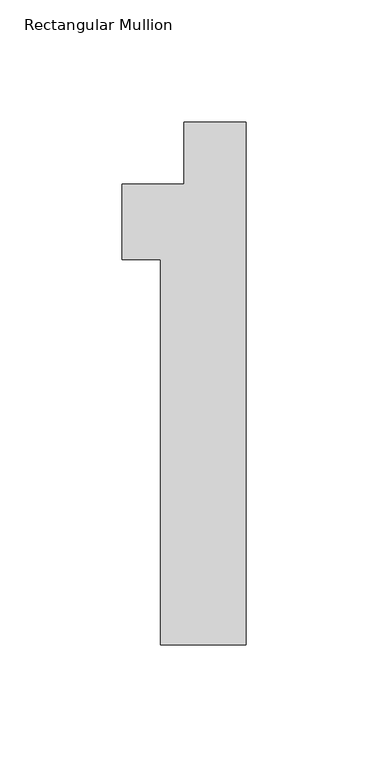
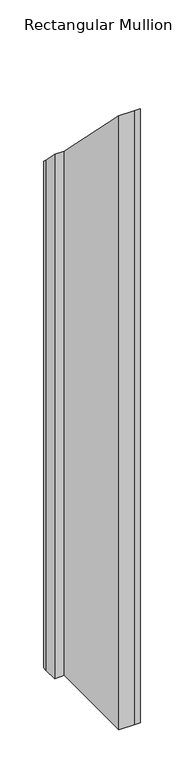
"""IFC4 building model written with IfcOpenShell, lengths in millimetres: member geometry, Rectangular Mullion."""

from ifc_helpers import new_model, si_unit, origin, place, context, project, spatial, faceted_brep, source, transform, mapped, element, save


def rectangular_mullion_2a645c7a(model_context):
    return source(origin(), model_context, "Body", "Brep", [
        faceted_brep([(-9.525, 0.0, -863.6), (0.0, 0.0, -863.6), (0.0, -214.3125, -863.6), (-9.525, -214.3125, -863.6), (-34.925, -214.3125, -863.6), (-34.925, -56.388, -863.6), (-50.8, -56.388, -863.6), (-50.8, -31.75, -863.6), (-50.8, -25.4, -863.6), (-25.4000001, -25.4, -863.6), (-25.4000001, 0.0, -863.6), (-12.7, 0.0, -863.6), (-12.7, 0.0, 0.0), (-9.525, 0.0, 0.0), (-25.4000001, 0.0, 0.0), (-25.4000001, -25.4, 25.4), (-50.8, -25.4, 25.4), (-50.8, -31.75, 31.75), (-50.8, -56.388, 56.388), (-34.925, -56.388, 56.388), (-34.925, -214.3125, 214.3125), (-9.525, -214.3125, 214.3125), (0.0, -214.3125, 214.3125), (0.0, 0.0, 0.0)], [[[0, 1, 2, 3, 4, 5, 6, 7, 8, 9, 10, 11]], [[12, 13, 0, 11]], [[14, 12, 11, 10]], [[15, 14, 10, 9]], [[16, 15, 9, 8]], [[17, 16, 8, 7]], [[18, 17, 7, 6]], [[19, 18, 6, 5]], [[20, 19, 5, 4]], [[21, 20, 4, 3]], [[22, 21, 3, 2]], [[23, 22, 2, 1]], [[13, 23, 1, 0]], [[13, 12, 14, 15, 16, 17, 18, 19, 20, 21, 22, 23]]]),
    ])


if __name__ == "__main__":
    model = new_model("IFC4")
    model_context = context("Model", 3, world=origin())
    ifc_project = project(units=[si_unit("LENGTHUNIT", "METRE", prefix="MILLI")], contexts=[model_context])
    site = spatial("IfcSite", under=ifc_project)
    building = spatial("IfcBuilding", under=site)
    placement = place(None, origin())
    rectangular_mullion_shape = rectangular_mullion_2a645c7a(model_context)
    element("IfcMember", 1, ObjectType="Rectangular Mullion", at=placement, inside=building, context=model_context, shape_type="MappedRepresentation", body=[
        mapped(rectangular_mullion_shape, transform((0.0, 0.0, 0.0), x_axis=(1.0, 0.0, 0.0), y_axis=(0.0, 1.0, 0.0), z_axis=(0.0, 0.0, 1.0))),
    ])
    save(model, "model.ifc")
